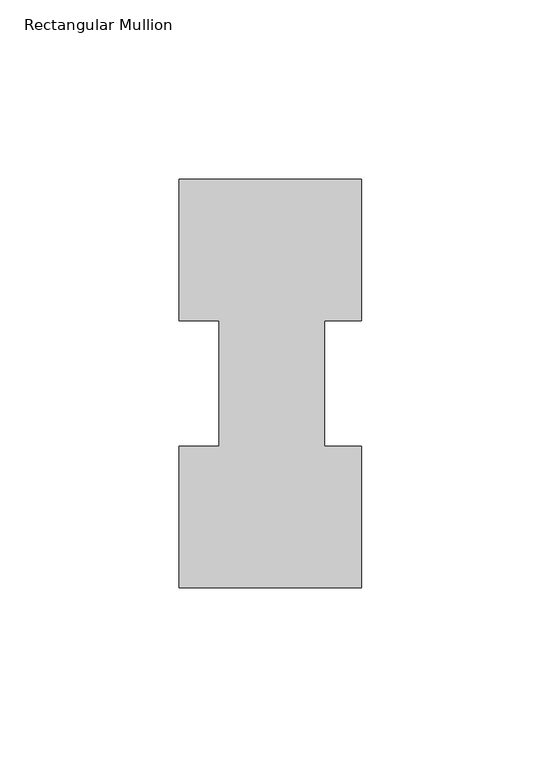
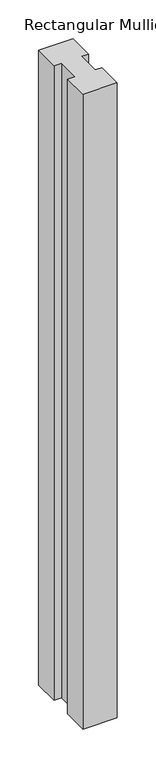
"""IFC4 building model written with IfcOpenShell, lengths in millimetres: member geometry, Rectangular Mullion."""

from ifc_helpers import new_model, si_unit, frame, origin, place, context, project, spatial, polyline, outline, extrude, source, transform, mapped, element, save


def rectangular_mullion_889e9f20(model_context):
    return source(origin(), model_context, "Body", "SweptSolid", [
        extrude(outline(polyline([(-50.8, 114.017425), (0.0, 114.017425), (0.0, 74.596625), (-10.3124, 74.596625), (-10.3124, 39.646225), (0.0, 39.646225), (0.0, 0.225425), (-50.8, 0.225425), (-50.8, 39.646225), (-39.6875, 39.646225), (-39.6875, 74.596625), (-50.8, 74.596625), (-50.8, 114.017425)])), frame((0.0, 0.0, -995.333925), z_axis=(0.0, 0.0, 1.0), x_axis=(1.0, 0.0, 0.0)), (0.0, 0.0, 1.0), 995.333925),
    ])


if __name__ == "__main__":
    model = new_model("IFC4")
    model_context = context("Model", 3, world=origin())
    ifc_project = project(units=[si_unit("LENGTHUNIT", "METRE", prefix="MILLI")], contexts=[model_context])
    site = spatial("IfcSite", under=ifc_project)
    building = spatial("IfcBuilding", under=site)
    placement = place(None, origin())
    rectangular_mullion_shape = rectangular_mullion_889e9f20(model_context)
    element("IfcMember", 1, ObjectType="Rectangular Mullion", at=placement, inside=building, context=model_context, shape_type="MappedRepresentation", body=[
        mapped(rectangular_mullion_shape, transform((0.0, 0.0, 0.0), x_axis=(1.0, 0.0, 0.0), y_axis=(0.0, 1.0, 0.0), z_axis=(0.0, 0.0, 1.0))),
    ])
    save(model, "model.ifc")
